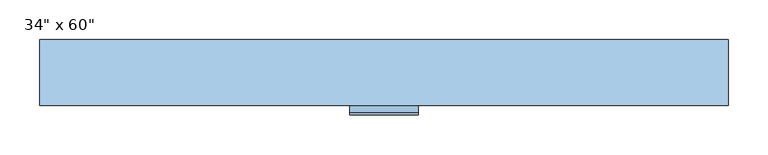
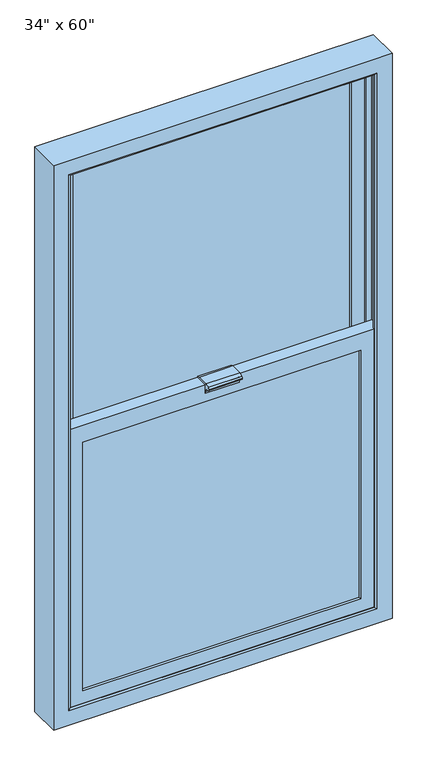
"""IFC4 building model written with IfcOpenShell, lengths in millimetres: window geometry."""

from ifc_helpers import new_model, si_unit, point, frame, frame_2d, origin, place, context, project, spatial, polyline, circle_curve, trimmed, segment, composite_curve, outline, extrude, faceted_brep, source, transform, mapped, element, save


def window_df2e806b(model_context):
    return source(origin(), model_context, "Body", "SolidModel", [
        extrude(outline(composite_curve([segment(trimmed(circle_curve(frame_2d((72.5155127, 1912.51205)), 11.6189182), [point((82.55, 1906.6547191))], [point((84.1344309, 1912.51205))], True, "CARTESIAN"), True, "CONTINUOUS"), segment(polyline([(84.1344309, 1912.51205), (88.9030691, 1912.51205)]), True, "CONTINUOUS"), segment(trimmed(circle_curve(frame_2d((100.5219873, 1912.51205)), 11.6189182), [point((88.9030691, 1912.51205))], [point((90.4875, 1906.6547191))], True, "CARTESIAN"), True, "CONTINUOUS"), segment(polyline([(90.4875, 1906.6547191), (90.4875, 1891.3818809)]), True, "CONTINUOUS"), segment(trimmed(circle_curve(frame_2d((100.5219873, 1885.52455)), 11.6189182), [point((90.4875, 1891.3818809))], [point((88.9030691, 1885.52455))], True, "CARTESIAN"), True, "CONTINUOUS"), segment(polyline([(88.9030691, 1885.52455), (84.1344309, 1885.52455)]), True, "CONTINUOUS"), segment(trimmed(circle_curve(frame_2d((72.5155127, 1885.52455)), 11.6189182), [point((84.1344309, 1885.52455))], [point((82.55, 1891.3818809))], True, "CARTESIAN"), True, "CONTINUOUS"), segment(polyline([(82.55, 1891.3818809), (82.55, 1906.6547191)]), True, "CONTINUOUS")], self_intersect=False)), frame((-339.7553386, 0.0, 0.0), z_axis=(1.0, 0.0, 0.0), x_axis=(0.0, 1.0, 0.0)), (0.0, 0.0, 1.0), 704.8598772),
        extrude(outline(composite_curve([segment(trimmed(circle_curve(frame_2d((126.18085, 72.5155127)), 11.6189182), [point((132.0381809, 82.55))], [point((126.18085, 84.1344309))], True, "CARTESIAN"), True, "CONTINUOUS"), segment(polyline([(126.18085, 84.1344309), (126.18085, 88.9030691)]), True, "CONTINUOUS"), segment(trimmed(circle_curve(frame_2d((126.18085, 100.5219873)), 11.6189182), [point((126.18085, 88.9030691))], [point((132.0381809, 90.4875))], True, "CARTESIAN"), True, "CONTINUOUS"), segment(polyline([(132.0381809, 90.4875), (147.3110191, 90.4875)]), True, "CONTINUOUS"), segment(trimmed(circle_curve(frame_2d((153.16835, 100.5219873)), 11.6189182), [point((147.3110191, 90.4875))], [point((153.16835, 88.9030691))], True, "CARTESIAN"), True, "CONTINUOUS"), segment(polyline([(153.16835, 88.9030691), (153.16835, 84.1344309)]), True, "CONTINUOUS"), segment(trimmed(circle_curve(frame_2d((153.16835, 72.5155127)), 11.6189182), [point((153.16835, 84.1344309))], [point((147.3110191, 82.55))], True, "CARTESIAN"), True, "CONTINUOUS"), segment(polyline([(147.3110191, 82.55), (132.0381809, 82.55)]), True, "CONTINUOUS")], self_intersect=False)), frame((0.0, 0.0, 1693.0066614), z_axis=(0.0, 0.0, 1.0), x_axis=(1.0, 0.0, 0.0)), (0.0, 0.0, 1.0), 666.0232772),
        extrude(outline(composite_curve([segment(trimmed(circle_curve(frame_2d((72.5155127, 2166.51205)), 11.6189182), [point((82.55, 2160.6547191))], [point((84.1344309, 2166.51205))], True, "CARTESIAN"), True, "CONTINUOUS"), segment(polyline([(84.1344309, 2166.51205), (88.9030691, 2166.51205)]), True, "CONTINUOUS"), segment(trimmed(circle_curve(frame_2d((100.5219873, 2166.51205)), 11.6189182), [point((88.9030691, 2166.51205))], [point((90.4875, 2160.6547191))], True, "CARTESIAN"), True, "CONTINUOUS"), segment(polyline([(90.4875, 2160.6547191), (90.4875, 2145.3818809)]), True, "CONTINUOUS"), segment(trimmed(circle_curve(frame_2d((100.5219873, 2139.52455)), 11.6189182), [point((90.4875, 2145.3818809))], [point((88.9030691, 2139.52455))], True, "CARTESIAN"), True, "CONTINUOUS"), segment(polyline([(88.9030691, 2139.52455), (84.1344309, 2139.52455)]), True, "CONTINUOUS"), segment(trimmed(circle_curve(frame_2d((72.5155127, 2139.52455)), 11.6189182), [point((84.1344309, 2139.52455))], [point((82.55, 2145.3818809))], True, "CARTESIAN"), True, "CONTINUOUS"), segment(polyline([(82.55, 2145.3818809), (82.55, 2160.6547191)]), True, "CONTINUOUS")], self_intersect=False)), frame((-339.7553386, 0.0, 0.0), z_axis=(1.0, 0.0, 0.0), x_axis=(0.0, 1.0, 0.0)), (0.0, 0.0, 1.0), 704.8598772),
        extrude(outline(composite_curve([segment(trimmed(circle_curve(frame_2d((-127.81915, 72.5155127)), 11.6189182), [point((-121.9618191, 82.55))], [point((-127.81915, 84.1344309))], True, "CARTESIAN"), True, "CONTINUOUS"), segment(polyline([(-127.81915, 84.1344309), (-127.81915, 88.9030691)]), True, "CONTINUOUS"), segment(trimmed(circle_curve(frame_2d((-127.81915, 100.5219873)), 11.6189182), [point((-127.81915, 88.9030691))], [point((-121.9618191, 90.4875))], True, "CARTESIAN"), True, "CONTINUOUS"), segment(polyline([(-121.9618191, 90.4875), (-106.6889809, 90.4875)]), True, "CONTINUOUS"), segment(trimmed(circle_curve(frame_2d((-100.83165, 100.5219873)), 11.6189182), [point((-106.6889809, 90.4875))], [point((-100.83165, 88.9030691))], True, "CARTESIAN"), True, "CONTINUOUS"), segment(polyline([(-100.83165, 88.9030691), (-100.83165, 84.1344309)]), True, "CONTINUOUS"), segment(trimmed(circle_curve(frame_2d((-100.83165, 72.5155127)), 11.6189182), [point((-100.83165, 84.1344309))], [point((-106.6889809, 82.55))], True, "CARTESIAN"), True, "CONTINUOUS"), segment(polyline([(-106.6889809, 82.55), (-121.9618191, 82.55)]), True, "CONTINUOUS")], self_intersect=False)), frame((0.0, 0.0, 1693.0066614), z_axis=(0.0, 0.0, 1.0), x_axis=(1.0, 0.0, 0.0)), (0.0, 0.0, 1.0), 666.0232772),
        extrude(outline(composite_curve([segment(polyline([(61.8116923, 1710.6900001), (61.8116923, 1708.15), (29.0710938, 1708.15), (29.0710938, 1686.1305266), (27.293093, 1686.1305266), (26.023091, 1692.9885281), (26.023091, 1698.9729571)]), True, "CONTINUOUS"), segment(trimmed(circle_curve(frame_2d((24.6299563, 1698.9729571)), 1.3931348), [point((26.023091, 1698.9729571))], [point((24.6299563, 1700.3660918))], True, "CARTESIAN"), True, "CONTINUOUS"), segment(polyline([(24.6299563, 1700.3660918), (16.4619675, 1700.3660918)]), True, "CONTINUOUS"), segment(trimmed(circle_curve(frame_2d((16.9210901, 1704.5663833)), 4.2253097), [point((16.4619675, 1700.3660918))], [point((12.7141835, 1704.9603105))], False, "CARTESIAN"), True, "CONTINUOUS"), segment(trimmed(circle_curve(frame_2d((17.4204407, 1704.8976681)), 4.7066741), [point((12.7141835, 1704.9603105))], [point((15.5813966, 1709.2301844))], False, "CARTESIAN"), True, "CONTINUOUS"), segment(polyline([(15.5813966, 1709.2301844), (24.9050368, 1713.1878349), (55.0675368, 1713.1878349), (61.8116923, 1710.6900001)]), True, "CONTINUOUS")], self_intersect=False)), frame((-30.2514, 0.0, 0.0), z_axis=(1.0, 0.0, 0.0), x_axis=(0.0, 1.0, 0.0)), (0.0, 0.0, 1.0), 85.852),
        faceted_brep([(-339.7553386, 74.9277322, 1693.0066614), (-341.942277, 71.1398438, 1690.819723), (367.291477, 71.1398438, 1690.819723), (365.1045386, 74.9277322, 1693.0066614), (-352.7366225, 98.1317062, 1680.0253775), (-352.7366225, 74.9277322, 1680.0253775), (378.0858225, 74.9277322, 1680.0253775), (378.0858225, 98.1317062, 1680.0253775), (-342.2223198, 101.8976563, 1690.5396802), (-339.5897758, 98.1317062, 1693.1722242), (364.9389758, 98.1317062, 1693.1722242), (367.5715198, 101.8976563, 1690.5396802), (-388.112, 71.1398438, 1644.65), (-388.112, 101.8976563, 1644.65), (413.4612, 101.8976563, 1644.65), (413.4612, 71.1398438, 1644.65), (367.291477, 71.1398438, 2361.216877), (365.1045386, 74.9277322, 2359.0299386), (378.0858225, 74.9277322, 2372.0112225), (378.0858225, 98.1317062, 2372.0112225), (364.9389758, 98.1317062, 2358.8643758), (367.5715198, 101.8976563, 2361.4969198), (413.4612, 101.8976563, 2407.3866), (413.4612, 71.1398438, 2407.3866), (-341.942277, 71.1398438, 2361.216877), (-339.7553386, 74.9277322, 2359.0299386), (-352.7366225, 74.9277322, 2372.0112225), (-352.7366225, 98.1317062, 2372.0112225), (-339.5897758, 98.1317062, 2358.8643758), (-342.2223198, 101.8976563, 2361.4969198), (-388.112, 101.8976563, 2407.3866), (-388.112, 71.1398438, 2407.3866)], [[[0, 1, 2, 3]], [[4, 5, 6, 7]], [[8, 9, 10, 11]], [[12, 13, 14, 15]], [[3, 2, 16, 17]], [[7, 6, 18, 19]], [[11, 10, 20, 21]], [[15, 14, 22, 23]], [[17, 16, 24, 25]], [[19, 18, 26, 27]], [[21, 20, 28, 29]], [[23, 22, 30, 31]], [[25, 24, 1, 0]], [[5, 26, 18, 6], [3, 17, 25, 0]], [[27, 26, 5, 4]], [[7, 19, 27, 4], [9, 28, 20, 10]], [[29, 28, 9, 8]], [[13, 30, 22, 14], [11, 21, 29, 8]], [[31, 30, 13, 12]], [[15, 23, 31, 12], [1, 24, 16, 2]]]),
        extrude(outline(polyline([(378.0858225, 78.1027322), (378.0858225, 74.9277322), (-352.7366225, 74.9277322), (-352.7366225, 78.1027322), (378.0858225, 78.1027322)])), frame((0.0, 0.0, 1680.0253775), z_axis=(0.0, 0.0, 1.0), x_axis=(1.0, 0.0, 0.0)), (0.0, 0.0, 1.0), 691.985845),
        extrude(outline(polyline([(378.0858225, 98.1317062), (378.0858225, 94.9567062), (-352.7366225, 94.9567062), (-352.7366225, 98.1317062), (378.0858225, 98.1317062)])), frame((0.0, 0.0, 1680.0253775), z_axis=(0.0, 0.0, 1.0), x_axis=(1.0, 0.0, 0.0)), (0.0, 0.0, 1.0), 691.985845),
        faceted_brep([(-339.7553386, 32.8589822, 993.7700614), (-341.942277, 29.0710938, 991.583123), (367.291477, 29.0710938, 991.583123), (365.1045386, 32.8589822, 993.7700614), (-352.7366225, 56.8567062, 980.7887775), (-352.7366225, 32.8589822, 980.7887775), (378.0858225, 32.8589822, 980.7887775), (378.0858225, 56.8567062, 980.7887775), (-342.2223198, 61.4164063, 991.3030802), (-339.5897758, 56.8567062, 993.9356242), (364.9389758, 56.8567062, 993.9356242), (367.5715198, 61.4164063, 991.3030802), (-388.112, 29.0710938, 945.4134), (-388.112, 61.4164063, 945.4134), (413.4612, 61.4164063, 945.4134), (413.4612, 29.0710938, 945.4134), (367.291477, 29.0710938, 1661.980277), (365.1045386, 32.8589822, 1659.7933386), (378.0858225, 32.8589822, 1672.7746225), (378.0858225, 56.8567062, 1672.7746225), (364.9389758, 56.8567062, 1659.6277758), (367.5715198, 61.4164063, 1662.2603198), (413.4612, 61.4164063, 1708.15), (413.4612, 29.0710938, 1708.15), (-341.942277, 29.0710938, 1661.980277), (-339.7553386, 32.8589822, 1659.7933386), (-352.7366225, 32.8589822, 1672.7746225), (-352.7366225, 56.8567062, 1672.7746225), (-339.5897758, 56.8567062, 1659.6277758), (-342.2223198, 61.4164063, 1662.2603198), (-388.112, 61.4164063, 1708.15), (-388.112, 29.0710938, 1708.15)], [[[0, 1, 2, 3]], [[4, 5, 6, 7]], [[8, 9, 10, 11]], [[12, 13, 14, 15]], [[3, 2, 16, 17]], [[7, 6, 18, 19]], [[11, 10, 20, 21]], [[15, 14, 22, 23]], [[17, 16, 24, 25]], [[19, 18, 26, 27]], [[21, 20, 28, 29]], [[23, 22, 30, 31]], [[25, 24, 1, 0]], [[5, 26, 18, 6], [3, 17, 25, 0]], [[27, 26, 5, 4]], [[7, 19, 27, 4], [9, 28, 20, 10]], [[29, 28, 9, 8]], [[13, 30, 22, 14], [11, 21, 29, 8]], [[31, 30, 13, 12]], [[15, 23, 31, 12], [1, 24, 16, 2]]]),
        extrude(outline(polyline([(378.0858225, 36.0339822), (378.0858225, 32.8589822), (-352.7366225, 32.8589822), (-352.7366225, 36.0339822), (378.0858225, 36.0339822)])), frame((0.0, 0.0, 980.7887775), z_axis=(0.0, 0.0, 1.0), x_axis=(1.0, 0.0, 0.0)), (0.0, 0.0, 1.0), 691.985845),
        extrude(outline(polyline([(378.0858225, 56.8567062), (378.0858225, 53.6817062), (-352.7366225, 53.6817062), (-352.7366225, 56.8567062), (378.0858225, 56.8567062)])), frame((0.0, 0.0, 980.7887775), z_axis=(0.0, 0.0, 1.0), x_axis=(1.0, 0.0, 0.0)), (0.0, 0.0, 1.0), 691.985845),
        faceted_brep([(-375.4374, 27.14625, 2394.712), (-375.4374, 30.82925, 2394.712), (400.7866, 30.82925, 2394.712), (400.7866, 27.14625, 2394.712), (-379.8368091, 24.60625, 2399.1114091), (405.1860091, 24.60625, 2399.1114091), (-419.1254, 107.15625, 2438.4), (-419.1254, 24.60625, 2438.4), (444.4746, 24.60625, 2438.4), (444.4746, 107.15625, 2438.4), (-391.3123999, 90.6762118, 2410.5869999), (-400.8271544, 107.15625, 2420.1017544), (426.1763544, 107.15625, 2420.1017544), (416.6615999, 90.6762118, 2410.5869999), (-391.3123999, 72.7392487, 2410.5869999), (416.6615999, 72.7392487, 2410.5869999), (-375.4374, 65.2462407, 2394.712), (-375.4374, 72.7392487, 2394.712), (400.7866, 72.7392487, 2394.712), (400.7866, 65.2462407, 2394.712), (-390.5631, 30.82925, 2409.8377), (-390.5631, 65.2462407, 2409.8377), (415.9123, 65.2462407, 2409.8377), (415.9123, 30.82925, 2409.8377), (400.7866, 30.82925, 958.088), (400.7866, 27.14625, 958.088), (405.1860091, 24.60625, 953.6885909), (444.4746, 24.60625, 914.4), (444.4746, 107.15625, 914.4), (426.1763544, 107.15625, 932.6982456), (416.6615999, 90.6762118, 942.2130001), (416.6615999, 72.7392487, 942.2130001), (400.7866, 72.7392487, 958.088), (400.7866, 65.2462407, 958.088), (415.9123, 65.2462407, 942.9623), (415.9123, 30.82925, 942.9623), (-375.4374, 30.82925, 958.088), (-375.4374, 27.14625, 958.088), (-379.8368091, 24.60625, 953.6885909), (-419.1254, 24.60625, 914.4), (-419.1254, 107.15625, 914.4), (-400.8271544, 107.15625, 932.6982456), (-391.3123999, 90.6762118, 942.2130001), (-391.3123999, 72.7392487, 942.2130001), (-375.4374, 72.7392487, 958.088), (-375.4374, 65.2462407, 958.088), (-390.5631, 65.2462407, 942.9623), (-390.5631, 30.82925, 942.9623)], [[[0, 1, 2, 3]], [[4, 0, 3, 5]], [[6, 7, 8, 9]], [[10, 11, 12, 13]], [[14, 10, 13, 15]], [[16, 17, 18, 19]], [[20, 21, 22, 23]], [[3, 2, 24, 25]], [[5, 3, 25, 26]], [[9, 8, 27, 28]], [[13, 12, 29, 30]], [[15, 13, 30, 31]], [[19, 18, 32, 33]], [[23, 22, 34, 35]], [[25, 24, 36, 37]], [[26, 25, 37, 38]], [[28, 27, 39, 40]], [[30, 29, 41, 42]], [[31, 30, 42, 43]], [[33, 32, 44, 45]], [[35, 34, 46, 47]], [[23, 35, 47, 20], [1, 36, 24, 2]], [[37, 36, 1, 0]], [[38, 37, 0, 4]], [[7, 39, 27, 8], [5, 26, 38, 4]], [[40, 39, 7, 6]], [[9, 28, 40, 6], [11, 41, 29, 12]], [[42, 41, 11, 10]], [[43, 42, 10, 14]], [[15, 31, 43, 14], [17, 44, 32, 18]], [[45, 44, 17, 16]], [[21, 46, 34, 22], [19, 33, 45, 16]], [[47, 46, 21, 20]]]),
    ])


if __name__ == "__main__":
    model = new_model("IFC4")
    model_context = context("Model", 3, world=origin())
    ifc_project = project(units=[si_unit("LENGTHUNIT", "METRE", prefix="MILLI")], contexts=[model_context])
    site = spatial("IfcSite", under=ifc_project)
    building = spatial("IfcBuilding", under=site)
    placement = place(None, origin())
    window_shape = window_df2e806b(model_context)
    element("IfcWindow", 1, ObjectType="34\" x 60\"", at=placement, inside=building, context=model_context, shape_type="MappedRepresentation", body=[
        mapped(window_shape, transform((0.0, 0.0, 0.0), x_axis=(1.0, 0.0, 0.0), y_axis=(0.0, 1.0, 0.0), z_axis=(0.0, 0.0, 1.0))),
    ])
    save(model, "model.ifc")
